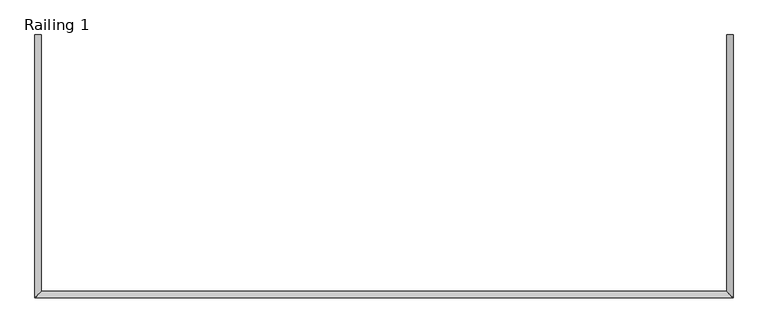
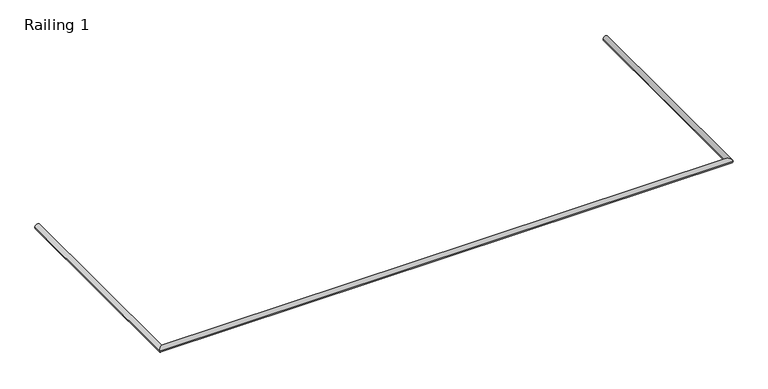
"""IFC4 building model written with IfcOpenShell, lengths in millimetres: railing geometry, Railing 1."""

from ifc_helpers import new_model, si_unit, frame, origin, place, context, project, spatial, circle_curve, ellipse_curve, source, transform, mapped, element, save
from ifc_brep_helpers import plane_surface, cylinder_surface, advanced_brep


def railing_1_1996456a(model_context):
    return source(origin(), model_context, "Body", "AdvancedBrep", [
        advanced_brep(
        [(6053.8242427, 3638.7960115, 3119.8157695), (6023.8242427, 3638.7960115, 3119.8157695), (6053.8242427, 2423.7960115, 3119.8157695), (6023.8242427, 2453.7960115, 3119.8157695), (2828.1083446, 2423.7960115, 3119.8157695), (2858.1083446, 2453.7960115, 3119.8157695), (2828.1083446, 3638.7960115, 3119.8157695), (2858.1083446, 3638.7960115, 3119.8157695)],
        [
            (0, 1, circle_curve(frame((6038.8242427, 3638.7960115, 3119.8157695), z_axis=(0.0, 1.0, 0.0), x_axis=(-1.0, 0.0, 0.0)), 15.0)),
            (1, 0, circle_curve(frame((6038.8242427, 3638.7960115, 3119.8157695), z_axis=(0.0, 1.0, 0.0), x_axis=(-1.0, 0.0, 0.0)), 15.0)),
            (0, 2),
            (2, 3, ellipse_curve(frame((6038.8242427, 2438.7960115, 3119.8157695), z_axis=(0.7071067811865475, 0.7071067811865475, 0.0), x_axis=(-0.7071067811865474, 0.7071067811865476, 0.0)), 21.2132034, 15.0)),
            (3, 1),
            (3, 2, ellipse_curve(frame((6038.8242427, 2438.7960115, 3119.8157695), z_axis=(0.7071067811865475, 0.7071067811865475, 0.0), x_axis=(-0.7071067811865474, 0.7071067811865476, 0.0)), 21.2132034, 15.0)),
            (2, 4),
            (4, 5, ellipse_curve(frame((2843.1083446, 2438.7960115, 3119.8157695), z_axis=(0.7071067811865475, -0.7071067811865475, 0.0), x_axis=(0.7071067811865476, 0.7071067811865474, 0.0)), 21.2132034, 15.0)),
            (5, 3),
            (5, 4, ellipse_curve(frame((2843.1083446, 2438.7960115, 3119.8157695), z_axis=(0.7071067811865475, -0.7071067811865475, 0.0), x_axis=(0.7071067811865476, 0.7071067811865474, 0.0)), 21.2132034, 15.0)),
            (6, 7, circle_curve(frame((2843.1083446, 3638.7960115, 3119.8157695), z_axis=(0.0, 1.0, 0.0), x_axis=(1.0, 0.0, 0.0)), 15.0)),
            (7, 6, circle_curve(frame((2843.1083446, 3638.7960115, 3119.8157695), z_axis=(0.0, 1.0, 0.0), x_axis=(1.0, 0.0, 0.0)), 15.0)),
            (4, 6),
            (7, 5),
        ],
        [
            plane_surface(frame((6038.8242427, 3638.7960115, 3134.8157695), z_axis=(0.0, 1.0, 0.0), x_axis=(0.0, 0.0, -1.0))),
            cylinder_surface(frame((6038.8242427, 3638.7960115, 3119.8157695), z_axis=(0.0, 1.0, 0.0), x_axis=(-1.0, 0.0, 0.0)), 15.0),
            cylinder_surface(frame((6038.8242427, 2438.7960115, 3119.8157695), z_axis=(1.0, 0.0, 0.0), x_axis=(0.0, 1.0, 0.0)), 15.0),
            plane_surface(frame((2843.1083446, 3638.7960115, 3134.8157695), z_axis=(0.0, 1.0, 0.0), x_axis=(0.0, 0.0, 1.0))),
            cylinder_surface(frame((2843.1083446, 2438.7960115, 3119.8157695), z_axis=(0.0, -1.0, 0.0), x_axis=(1.0, 0.0, 0.0)), 15.0),
        ],
        [
            (0, [[1, 2]]),
            (1, [[-1, 3, 4, 5]]),
            (1, [[-2, -5, 6, -3]]),
            (2, [[-4, 7, 8, 9]]),
            (2, [[-6, -9, 10, -7]]),
            (3, [[11, 12]]),
            (4, [[-8, 13, -12, 14]]),
            (4, [[-10, -14, -11, -13]]),
        ],
    ),
    ])


if __name__ == "__main__":
    model = new_model("IFC4")
    model_context = context("Model", 3, world=origin())
    ifc_project = project(units=[si_unit("LENGTHUNIT", "METRE", prefix="MILLI")], contexts=[model_context])
    site = spatial("IfcSite", under=ifc_project)
    building = spatial("IfcBuilding", under=site)
    placement = place(None, origin())
    railing_1_shape = railing_1_1996456a(model_context)
    element("IfcRailing", 1, ObjectType="Railing 1", at=placement, inside=building, context=model_context, shape_type="MappedRepresentation", body=[
        mapped(railing_1_shape, transform((0.0, 0.0, 0.0), x_axis=(1.0, 0.0, 0.0), y_axis=(0.0, 1.0, 0.0), z_axis=(0.0, 0.0, 1.0))),
    ])
    save(model, "model.ifc")
